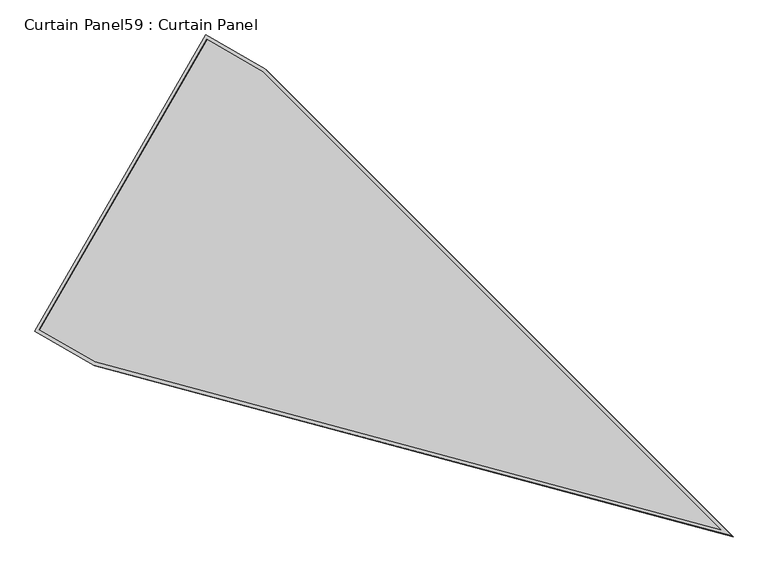
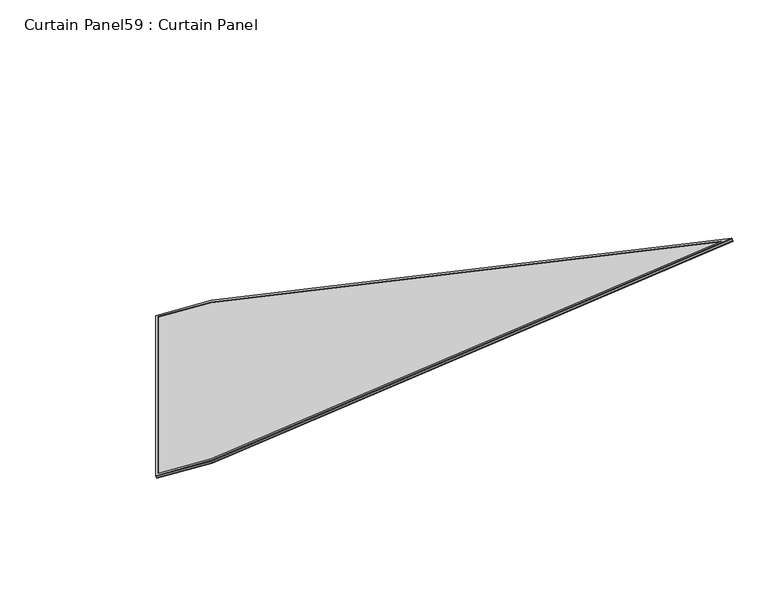
"""IFC4 building model written with IfcOpenShell, lengths in millimetres: plate geometry, Curtain Panel59 : Curtain Panel."""

from ifc_helpers import new_model, si_unit, frame, origin, place, context, project, spatial, polyline, outline, extrude, source, transform, mapped, element, save


def curtain_panel59_curtain_panel_e14c77ef(model_context):
    return source(origin(), model_context, "Body", "SweptSolid", [
        extrude(outline(polyline([(847.4239029, -3689.214663), (0.0, -355.6068858), (0.0, 0.0), (1694.8442516, -1e-07), (1694.8442516, -355.6208679), (847.4239029, -3689.214663)]), holes=[polyline([(1678.1814537, -16.6627979), (16.6627979, -16.6627979), (16.6627978, -353.5221444), (847.4239029, -3621.5815786), (1678.1814537, -353.5361265), (1678.1814537, -16.6627979)])]), frame((8784.9762195, 2379.5611885, 1932.0971622), z_axis=(-0.27379031486168176, 0.158072911986909, 0.9487106081329122), x_axis=(0.5000000000000107, 0.8660254037844326, 0.0)), (0.0, 0.0, 1.0), 4.8362169),
        extrude(outline(polyline([(847.423903, -3689.2146629), (0.0, -355.6068859), (0.0, 0.0), (1694.8442516, 0.0), (1694.8442516, -355.6208679), (847.423903, -3689.2146629)]), holes=[polyline([(1684.5314537, -10.3127979), (10.3127979, -10.3127979), (10.3127978, -354.3166153), (847.4239029, -3647.3557666), (1684.5314537, -354.3305974), (1684.5314537, -10.3127979)])]), frame((8789.8010999, 2376.7755425, 1915.3784729), z_axis=(-0.2737903148616757, 0.15807291198690546, 0.9487106081329145), x_axis=(0.5000000000000104, 0.8660254037844326, 0.0)), (0.0, 0.0, 1.0), 4.7776723),
        extrude(outline(polyline([(12.7000001, 0.0), (1707.5442516, 0.0), (1707.5442517, -355.6208679), (860.123903, -3689.2146628), (12.7, -355.6068858), (12.7000001, 0.0)])), frame((8782.1430195, 2366.5322404, 1919.9111014), z_axis=(-0.2737903148616768, 0.1580729119869062, 0.9487106081329143), x_axis=(0.5000000000000107, 0.8660254037844325, 0.0)), (0.0, 0.0, 1.0), 12.8448662),
    ])


if __name__ == "__main__":
    model = new_model("IFC4")
    model_context = context("Model", 3, world=origin())
    ifc_project = project(units=[si_unit("LENGTHUNIT", "METRE", prefix="MILLI")], contexts=[model_context])
    site = spatial("IfcSite", under=ifc_project)
    building = spatial("IfcBuilding", under=site)
    placement = place(None, origin())
    curtain_panel59_curtain_panel_shape = curtain_panel59_curtain_panel_e14c77ef(model_context)
    element("IfcPlate", 1, ObjectType="Curtain Panel59 : Curtain Panel", at=placement, inside=building, context=model_context, shape_type="MappedRepresentation", body=[
        mapped(curtain_panel59_curtain_panel_shape, transform((0.0, 0.0, 0.0), x_axis=(1.0, 0.0, 0.0), y_axis=(0.0, 1.0, 0.0), z_axis=(0.0, 0.0, 1.0))),
    ])
    save(model, "model.ifc")
